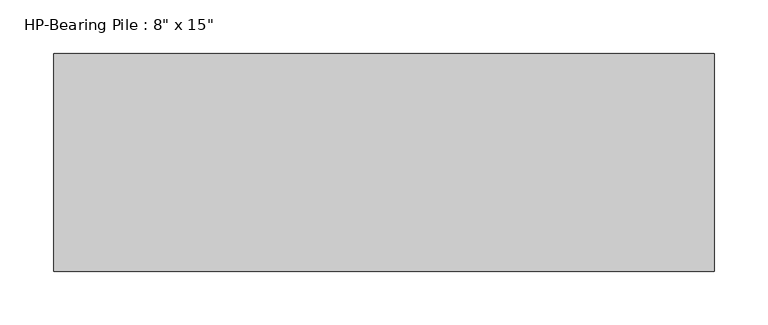
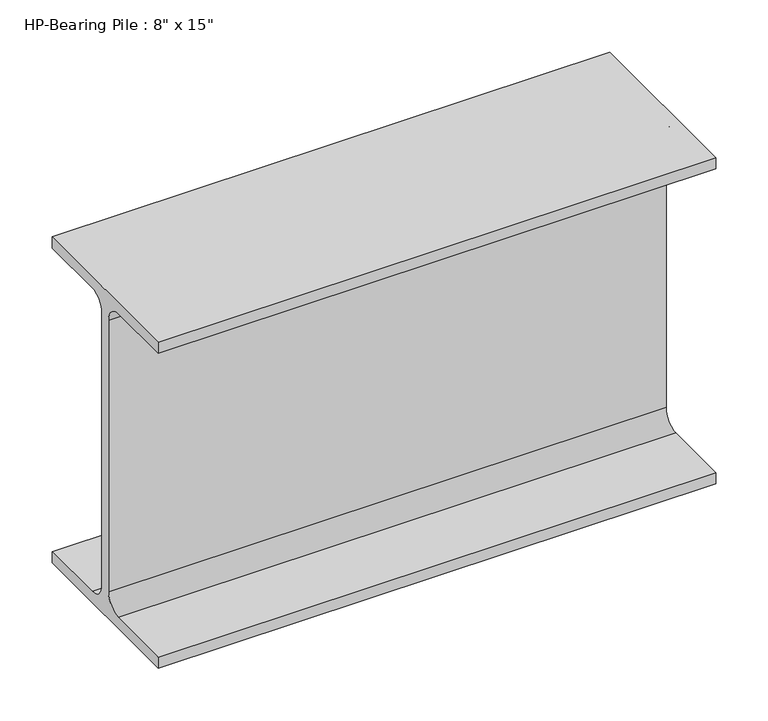
"""IFC4 building model written with IfcOpenShell, lengths in millimetres: beam geometry."""

from ifc_helpers import new_model, si_unit, point, frame, frame_2d, origin, place, context, project, spatial, polyline, circle_curve, trimmed, segment, composite_curve, outline, extrude, source, transform, mapped, element, save


def beam_ddc6e5f1(model_context):
    return source(origin(), model_context, "Body", "SweptSolid", [
        extrude(outline(composite_curve([segment(polyline([(101.6, -177.403125), (101.6, -190.5), (-101.6, -190.5), (-101.6, -177.403125), (-25.2015625, -177.403125)]), True, "CONTINUOUS"), segment(trimmed(circle_curve(frame_2d((-25.2015625, -158.75)), 18.653125), [point((-25.2015625, -177.403125))], [point((-6.5484375, -158.75))], True, "CARTESIAN"), True, "CONTINUOUS"), segment(polyline([(-6.5484375, -158.75), (-6.5484375, 158.75)]), True, "CONTINUOUS"), segment(trimmed(circle_curve(frame_2d((-25.2015625, 158.75)), 18.653125), [point((-6.5484375, 158.75))], [point((-25.2015625, 177.403125))], True, "CARTESIAN"), True, "CONTINUOUS"), segment(polyline([(-25.2015625, 177.403125), (-101.6, 177.403125), (-101.6, 190.5), (101.6, 190.5), (101.6, 177.403125), (25.2015625, 177.403125)]), True, "CONTINUOUS"), segment(trimmed(circle_curve(frame_2d((25.2015625, 158.75)), 18.653125), [point((25.2015625, 177.403125))], [point((6.5484375, 158.75))], True, "CARTESIAN"), True, "CONTINUOUS"), segment(polyline([(6.5484375, 158.75), (6.5484375, -158.75)]), True, "CONTINUOUS"), segment(trimmed(circle_curve(frame_2d((25.2015625, -158.75)), 18.653125), [point((6.5484375, -158.75))], [point((25.2015625, -177.403125))], True, "CARTESIAN"), True, "CONTINUOUS"), segment(polyline([(25.2015625, -177.403125), (101.6, -177.403125)]), True, "CONTINUOUS")], self_intersect=False)), frame((-308.0022874, 0.0, 0.0), z_axis=(1.0, 0.0, 0.0), x_axis=(0.0, 1.0, 0.0)), (0.0, 0.0, 1.0), 616.0045748),
    ])


if __name__ == "__main__":
    model = new_model("IFC4")
    model_context = context("Model", 3, world=origin())
    ifc_project = project(units=[si_unit("LENGTHUNIT", "METRE", prefix="MILLI")], contexts=[model_context])
    site = spatial("IfcSite", under=ifc_project)
    building = spatial("IfcBuilding", under=site)
    placement = place(None, origin())
    beam_shape = beam_ddc6e5f1(model_context)
    element("IfcBeam", 1, ObjectType="HP-Bearing Pile : 8\" x 15\"", at=placement, inside=building, context=model_context, shape_type="MappedRepresentation", body=[
        mapped(beam_shape, transform((0.0, 0.0, 0.0), x_axis=(1.0, 0.0, 0.0), y_axis=(0.0, 1.0, 0.0), z_axis=(0.0, 0.0, 1.0))),
    ])
    save(model, "model.ifc")
